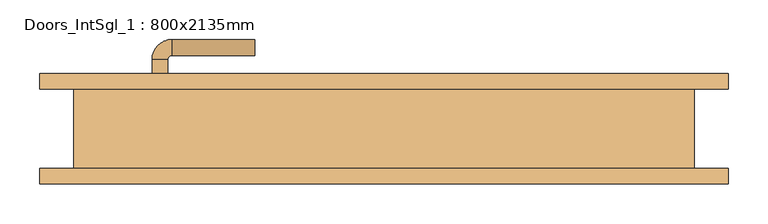
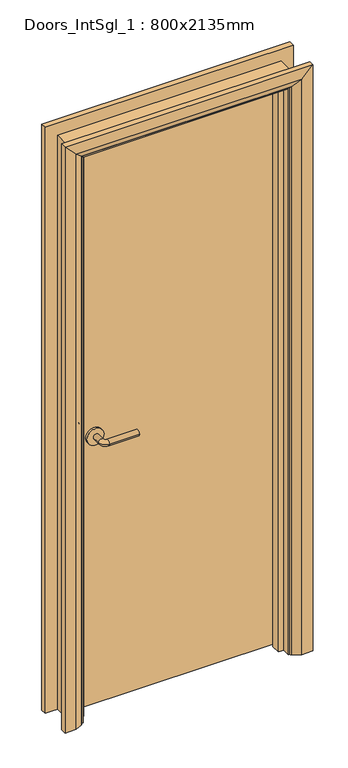
"""IFC4 building model written with IfcOpenShell, lengths in millimetres: door geometry, Doors_IntSgl_1 : 800x2135mm."""

from ifc_helpers import new_model, si_unit, point, frame, frame_2d, origin, place, context, project, spatial, polyline, circle_curve, ellipse_curve, trimmed, segment, composite_curve, outline, extrude, faceted_brep, source, transform, mapped, element, save
from ifc_brep_helpers import plane_surface, cylinder_surface, revolved_surface, advanced_brep


def doors_intsgl_1_800x2135mm_b69db59d(model_context):
    return source(origin(), model_context, "Body", "SolidModel", [
        advanced_brep(
        [(-293.0, 4.0, 1000.0), (-273.0, 4.0, 1000.0), (-273.0, -26.0, 1000.0), (-293.0, -26.0, 1000.0), (-268.0, -31.0, 1000.0), (-268.0, -51.0, 1000.0), (-163.0, -51.0, 1000.0), (-163.0, -31.0, 1000.0)],
        [
            (0, 1, circle_curve(frame((-283.0, 4.0, 1000.0), z_axis=(0.0, 1.0, 0.0), x_axis=(1.0, 0.0, 0.0)), 10.0)),
            (1, 0, circle_curve(frame((-283.0, 4.0, 1000.0), z_axis=(0.0, 1.0, 0.0), x_axis=(1.0, 0.0, 0.0)), 10.0)),
            (1, 2),
            (2, 3, circle_curve(frame((-283.0, -26.0, 1000.0), z_axis=(0.0, 1.0, 0.0), x_axis=(1.0, 0.0, 0.0)), 10.0)),
            (3, 0),
            (3, 2, circle_curve(frame((-283.0, -26.0, 1000.0), z_axis=(0.0, 1.0, 0.0), x_axis=(1.0, 0.0, 0.0)), 10.0)),
            (4, 5, circle_curve(frame((-268.0, -41.0, 1000.0), z_axis=(-1.0, 0.0, 0.0), x_axis=(0.0, 1.0, 0.0)), 10.0)),
            (5, 3, circle_curve(frame((-268.0, -26.0, 1000.0), z_axis=(0.0, 0.0, -1.0), x_axis=(-1.0, 0.0, 0.0)), 25.0)),
            (2, 4, circle_curve(frame((-268.0, -26.0, 1000.0), z_axis=(0.0, 0.0, 1.0), x_axis=(-1.0, 0.0, 0.0)), 5.0)),
            (5, 4, circle_curve(frame((-268.0, -41.0, 1000.0), z_axis=(-1.0, 0.0, 0.0), x_axis=(0.0, 1.0, 0.0)), 10.0)),
            (6, 7, circle_curve(frame((-163.0, -41.0, 1000.0), z_axis=(1.0, 0.0, 0.0), x_axis=(0.0, 1.0, 0.0)), 10.0)),
            (7, 6, circle_curve(frame((-163.0, -41.0, 1000.0), z_axis=(1.0, 0.0, 0.0), x_axis=(0.0, 1.0, 0.0)), 10.0)),
            (4, 7),
            (6, 5),
        ],
        [
            plane_surface(frame((-283.0, 4.0, 1000.0), z_axis=(0.0, 1.0, 0.0), x_axis=(0.0, 0.0, 1.0))),
            cylinder_surface(frame((-283.0, 4.0, 1000.0), z_axis=(0.0, 1.0, 0.0), x_axis=(1.0, 0.0, 0.0)), 10.0),
            revolved_surface(trimmed(ellipse_curve(frame((-283.0, -26.0, 1000.0), z_axis=(0.0, -1.0, 0.0), x_axis=(1.0, 0.0, 0.0)), 10.0, 10.0), [point((-293.0, -26.0, 1000.0))], [point((-273.0, -26.0, 1000.0))], True, "CARTESIAN"), (-268.0, -26.0, 1000.0), (0.0, 0.0, -1.0)),
            revolved_surface(trimmed(ellipse_curve(frame((-283.0, -26.0, 1000.0), z_axis=(0.0, -1.0, 0.0), x_axis=(1.0, 0.0, 0.0)), 10.0, 10.0), [point((-273.0, -26.0, 1000.0))], [point((-293.0, -26.0, 1000.0))], True, "CARTESIAN"), (-268.0, -26.0, 1000.0), (0.0, 0.0, -1.0)),
            plane_surface(frame((-163.0, -41.0, 1000.0), z_axis=(1.0, 0.0, 0.0), x_axis=(0.0, 0.0, 1.0))),
            cylinder_surface(frame((-268.0, -41.0, 1000.0), z_axis=(-1.0, 0.0, 0.0), x_axis=(0.0, 1.0, 0.0)), 10.0),
        ],
        [
            (0, [[1, 2]]),
            (1, [[3, 4, 5, -2]]),
            (1, [[-5, 6, -3, -1]]),
            (2, [[7, 8, -4, 9]]),
            (3, [[10, -9, -6, -8]]),
            (4, [[11, 12]]),
            (5, [[13, -11, 14, -7]]),
            (5, [[-14, -12, -13, -10]]),
        ],
    ),
        extrude(outline(composite_curve([segment(trimmed(circle_curve(frame_2d((1000.0, -285.5)), 30.0), [point((1000.0, -315.5))], [point((1000.0, -255.5))], False, "CARTESIAN"), True, "CONTINUOUS"), segment(trimmed(circle_curve(frame_2d((1000.0, -285.5)), 30.0), [point((1000.0, -255.5))], [point((1000.0, -315.5))], False, "CARTESIAN"), True, "CONTINUOUS")], self_intersect=False)), frame((0.0, 4.0, 0.0), z_axis=(0.0, 1.0, 0.0), x_axis=(0.0, 0.0, 1.0)), (0.0, 0.0, 1.0), 8.0),
        advanced_brep(
        [(-293.0, 58.0, 1000.0), (-273.0, 58.0, 1000.0), (-293.0, 88.0, 1000.0), (-273.0, 88.0, 1000.0), (-268.0, 93.0, 1000.0), (-268.0, 113.0, 1000.0), (-163.0, 113.0, 1000.0), (-163.0, 93.0, 1000.0)],
        [
            (0, 1, circle_curve(frame((-283.0, 58.0, 1000.0), z_axis=(0.0, -1.0, 0.0), x_axis=(1.0, 0.0, 0.0)), 10.0)),
            (1, 0, circle_curve(frame((-283.0, 58.0, 1000.0), z_axis=(0.0, -1.0, 0.0), x_axis=(1.0, 0.0, 0.0)), 10.0)),
            (0, 2),
            (2, 3, circle_curve(frame((-283.0, 88.0, 1000.0), z_axis=(0.0, -1.0, 0.0), x_axis=(1.0, 0.0, 0.0)), 10.0)),
            (3, 1),
            (3, 2, circle_curve(frame((-283.0, 88.0, 1000.0), z_axis=(0.0, -1.0, 0.0), x_axis=(1.0, 0.0, 0.0)), 10.0)),
            (4, 3, circle_curve(frame((-268.0, 88.0, 1000.0), z_axis=(0.0, 0.0, 1.0), x_axis=(-1.0, 0.0, 0.0)), 5.0)),
            (2, 5, circle_curve(frame((-268.0, 88.0, 1000.0), z_axis=(0.0, 0.0, -1.0), x_axis=(-1.0, 0.0, 0.0)), 25.0)),
            (5, 4, circle_curve(frame((-268.0, 103.0, 1000.0), z_axis=(-1.0, 0.0, 0.0), x_axis=(0.0, -1.0, 0.0)), 10.0)),
            (4, 5, circle_curve(frame((-268.0, 103.0, 1000.0), z_axis=(-1.0, 0.0, 0.0), x_axis=(0.0, -1.0, 0.0)), 10.0)),
            (6, 7, circle_curve(frame((-163.0, 103.0, 1000.0), z_axis=(1.0, 0.0, 0.0), x_axis=(0.0, -1.0, 0.0)), 10.0)),
            (7, 6, circle_curve(frame((-163.0, 103.0, 1000.0), z_axis=(1.0, 0.0, 0.0), x_axis=(0.0, -1.0, 0.0)), 10.0)),
            (5, 6),
            (7, 4),
        ],
        [
            plane_surface(frame((-283.0, 58.0, 1000.0), z_axis=(0.0, -1.0, 0.0), x_axis=(0.0, 0.0, 1.0))),
            cylinder_surface(frame((-283.0, 58.0, 1000.0), z_axis=(0.0, -1.0, 0.0), x_axis=(1.0, 0.0, 0.0)), 10.0),
            revolved_surface(trimmed(ellipse_curve(frame((-283.0, 88.0, 1000.0), z_axis=(0.0, -1.0, 0.0), x_axis=(1.0, 0.0, 0.0)), 10.0, 10.0), [point((-293.0, 88.0, 1000.0))], [point((-273.0, 88.0, 1000.0))], True, "CARTESIAN"), (-268.0, 88.0, 1000.0), (0.0, 0.0, -1.0)),
            revolved_surface(trimmed(ellipse_curve(frame((-283.0, 88.0, 1000.0), z_axis=(0.0, -1.0, 0.0), x_axis=(1.0, 0.0, 0.0)), 10.0, 10.0), [point((-273.0, 88.0, 1000.0))], [point((-293.0, 88.0, 1000.0))], True, "CARTESIAN"), (-268.0, 88.0, 1000.0), (0.0, 0.0, -1.0)),
            plane_surface(frame((-163.0, 103.0, 1000.0), z_axis=(1.0, 0.0, 0.0), x_axis=(0.0, 0.0, 1.0))),
            cylinder_surface(frame((-268.0, 103.0, 1000.0), z_axis=(-1.0, 0.0, 0.0), x_axis=(0.0, -1.0, 0.0)), 10.0),
        ],
        [
            (0, [[1, 2]]),
            (1, [[-1, 3, 4, 5]]),
            (1, [[-2, -5, 6, -3]]),
            (2, [[7, -4, 8, 9]]),
            (3, [[-8, -6, -7, 10]]),
            (4, [[11, 12]]),
            (5, [[-9, 13, -12, 14]]),
            (5, [[-10, -14, -11, -13]]),
        ],
    ),
        extrude(outline(composite_curve([segment(trimmed(circle_curve(frame_2d((1000.0, -285.5)), 30.0), [point((1000.0, -315.5))], [point((1000.0, -255.5))], False, "CARTESIAN"), True, "CONTINUOUS"), segment(trimmed(circle_curve(frame_2d((1000.0, -285.5)), 30.0), [point((1000.0, -255.5))], [point((1000.0, -315.5))], False, "CARTESIAN"), True, "CONTINUOUS")], self_intersect=False)), frame((0.0, 50.0, 0.0), z_axis=(0.0, 1.0, 0.0), x_axis=(0.0, 0.0, 1.0)), (0.0, 0.0, 1.0), 8.0),
        extrude(outline(polyline([(358.0, 12.0), (-358.0, 12.0), (-358.0, 50.0), (358.0, 50.0), (358.0, 12.0)])), frame((0.0, 0.0, 8.0), z_axis=(0.0, 0.0, 1.0), x_axis=(1.0, 0.0, 0.0)), (0.0, 0.0, 1.0), 2085.0),
        advanced_brep(
        [(435.0, 70.0, 0.0), (435.0, 50.0, 0.0), (365.0, 50.0, 0.0), (369.0, 56.0, 0.0), (395.0, 70.0, 0.0), (435.0, 70.0, 2170.0), (435.0, 50.0, 2170.0), (-435.0, 50.0, 2170.0), (-435.0, 50.0, 0.0), (-365.0, 50.0, 0.0), (-365.0, 50.0, 2100.0), (365.0, 50.0, 2100.0), (369.0, 56.0, 2104.0), (395.0, 70.0, 2130.0), (-395.0, 70.0, 2130.0), (-395.0, 70.0, 0.0), (-435.0, 70.0, 0.0), (-435.0, 70.0, 2170.0), (-369.0, 56.0, 0.0), (-369.0, 56.0, 2104.0)],
        [
            (0, 1),
            (1, 2),
            (2, 3, circle_curve(frame((373.0, 49.0, 0.0), z_axis=(0.0, 0.0, -1.0), x_axis=(1.0, 0.0, 0.0)), 8.0622577)),
            (3, 4),
            (4, 0),
            (0, 5),
            (5, 6),
            (6, 1),
            (6, 7),
            (7, 8),
            (8, 9),
            (9, 10),
            (10, 11),
            (11, 2),
            (11, 12, ellipse_curve(frame((373.0, 49.0, 2108.0), z_axis=(0.7071067811865475, 0.0, -0.7071067811865475), x_axis=(-0.7071067811865474, 0.0, -0.7071067811865476)), 11.4017543, 8.0622577)),
            (12, 3),
            (12, 13),
            (13, 4),
            (13, 14),
            (14, 15),
            (15, 16),
            (16, 17),
            (17, 5),
            (7, 17),
            (16, 8),
            (15, 18),
            (18, 9, circle_curve(frame((-373.0, 49.0, 0.0), z_axis=(0.0, 0.0, -1.0), x_axis=(-1.0, 0.0, 0.0)), 8.0622577)),
            (19, 10, ellipse_curve(frame((-373.0, 49.0, 2108.0), z_axis=(-0.7071067811865475, 0.0, -0.7071067811865475), x_axis=(-0.7071067811865474, 0.0, 0.7071067811865476)), 11.4017543, 8.0622577)),
            (18, 19),
            (14, 19),
            (19, 12),
        ],
        [
            plane_surface(frame((365.0, 50.0, 0.0), z_axis=(0.0, 0.0, -1.0), x_axis=(0.0, -1.0, 0.0))),
            plane_surface(frame((435.0, 70.0, 0.0), z_axis=(1.0, 0.0, 0.0), x_axis=(0.0, 0.0, 1.0))),
            plane_surface(frame((435.0, 50.0, 0.0), z_axis=(0.0, -1.0, 0.0), x_axis=(0.0, 0.0, 1.0))),
            cylinder_surface(frame((373.0, 49.0, 0.0), z_axis=(0.0, 0.0, -1.0), x_axis=(1.0, 0.0, 0.0)), 8.0622577),
            plane_surface(frame((369.0, 56.0, 0.0), z_axis=(-0.4740998230350126, 0.880471099922178, 0.0), x_axis=(0.0, 0.0, 1.0))),
            plane_surface(frame((395.0, 70.0, 0.0), z_axis=(0.0, 1.0, 0.0), x_axis=(0.0, 0.0, 1.0))),
            plane_surface(frame((-435.0, 70.0, 2170.0), z_axis=(-1.0, 0.0, 0.0), x_axis=(0.0, 0.0, -1.0))),
            plane_surface(frame((-365.0, 50.0, 0.0), z_axis=(0.0, 0.0, -1.0), x_axis=(0.0, -1.0, 0.0))),
            cylinder_surface(frame((-373.0, 49.0, 2100.0), z_axis=(0.0, 0.0, 1.0), x_axis=(-1.0, 0.0, 0.0)), 8.0622577),
            plane_surface(frame((-369.0, 56.0, 2104.0), z_axis=(0.47409982303501824, 0.8804710999221749, 0.0), x_axis=(0.0, 0.0, -1.0))),
            plane_surface(frame((435.0, 70.0, 2170.0), z_axis=(0.0, 0.0, 1.0), x_axis=(-1.0, 0.0, 0.0))),
            cylinder_surface(frame((365.0, 49.0, 2108.0), z_axis=(1.0, 0.0, 0.0), x_axis=(0.0, 0.0, 1.0)), 8.0622577),
            plane_surface(frame((369.0, 56.0, 2104.0), z_axis=(0.0, 0.8804710999221764, -0.4740998230350154), x_axis=(-1.0, 0.0, 0.0))),
        ],
        [
            (0, [[1, 2, 3, 4, 5]]),
            (1, [[-1, 6, 7, 8]]),
            (2, [[-2, -8, 9, 10, 11, 12, 13, 14]]),
            (3, [[-3, -14, 15, 16]]),
            (4, [[-4, -16, 17, 18]]),
            (5, [[-5, -18, 19, 20, 21, 22, 23, -6]]),
            (6, [[24, -22, 25, -10]]),
            (7, [[-21, 26, 27, -11, -25]]),
            (8, [[28, -12, -27, 29]]),
            (9, [[30, -29, -26, -20]]),
            (10, [[-7, -23, -24, -9]]),
            (11, [[-15, -13, -28, 31]]),
            (12, [[-17, -31, -30, -19]]),
        ],
    ),
        extrude(outline(polyline([(0.0, -360.0), (0.0, -341.0), (2076.0, -341.0), (2076.0, 341.0), (0.0, 341.0), (0.0, 360.0), (2095.0, 360.0), (2095.0, -360.0), (0.0, -360.0)])), frame((0.0, -22.0, 0.0), z_axis=(0.0, 1.0, 0.0), x_axis=(0.0, 0.0, 1.0)), (0.0, 0.0, 1.0), 32.0),
        advanced_brep(
        [(-435.0, -70.0, 0.0), (-435.0, -50.0, 0.0), (-365.0, -50.0, 0.0), (-369.0, -56.0, 0.0), (-395.0, -70.0, 0.0), (-435.0, -70.0, 2170.0), (-435.0, -50.0, 2170.0), (-365.0, -50.0, 2100.0), (-369.0, -56.0, 2104.0), (-395.0, -70.0, 2130.0), (435.0, -70.0, 0.0), (395.0, -70.0, 0.0), (369.0, -56.0, 0.0), (365.0, -50.0, 0.0), (435.0, -50.0, 0.0), (435.0, -70.0, 2170.0), (395.0, -70.0, 2130.0), (369.0, -56.0, 2104.0), (365.0, -50.0, 2100.0), (435.0, -50.0, 2170.0)],
        [
            (0, 1),
            (1, 2),
            (2, 3, circle_curve(frame((-373.0, -49.0, 0.0), z_axis=(0.0, 0.0, -1.0), x_axis=(-1.0, 0.0, 0.0)), 8.0622577)),
            (3, 4),
            (4, 0),
            (0, 5),
            (5, 6),
            (6, 1),
            (6, 7),
            (7, 2),
            (7, 8, ellipse_curve(frame((-373.0, -49.0, 2108.0), z_axis=(-0.7071067811865475, 0.0, -0.7071067811865475), x_axis=(0.7071067811865474, 0.0, -0.7071067811865476)), 11.4017543, 8.0622577)),
            (8, 3),
            (8, 9),
            (9, 4),
            (9, 5),
            (10, 11),
            (11, 12),
            (12, 13, circle_curve(frame((373.0, -49.0, 0.0), z_axis=(0.0, 0.0, -1.0), x_axis=(1.0, 0.0, 0.0)), 8.0622577)),
            (13, 14),
            (14, 10),
            (15, 16),
            (16, 11),
            (10, 15),
            (16, 17),
            (17, 12),
            (17, 18, ellipse_curve(frame((373.0, -49.0, 2108.0), z_axis=(0.7071067811865475, 0.0, -0.7071067811865475), x_axis=(0.7071067811865474, 0.0, 0.7071067811865476)), 11.4017543, 8.0622577)),
            (18, 13),
            (18, 19),
            (19, 14),
            (19, 15),
            (5, 15),
            (19, 6),
            (18, 7),
            (17, 8),
            (16, 9),
        ],
        [
            plane_surface(frame((-365.0, -122.8010989, 0.0), z_axis=(0.0, 0.0, -1.0), x_axis=(1.0, 0.0, 0.0))),
            plane_surface(frame((-435.0, -70.0, 0.0), z_axis=(-1.0, 0.0, 0.0), x_axis=(0.0, 0.0, 1.0))),
            plane_surface(frame((-435.0, -50.0, 0.0), z_axis=(0.0, 1.0, 0.0), x_axis=(0.0, 0.0, 1.0))),
            cylinder_surface(frame((-373.0, -49.0, 0.0), z_axis=(0.0, 0.0, -1.0), x_axis=(-1.0, 0.0, 0.0)), 8.0622577),
            plane_surface(frame((-369.0, -56.0, 0.0), z_axis=(0.4740998230350183, -0.8804710999221749, 0.0), x_axis=(0.0, 0.0, 1.0))),
            plane_surface(frame((-395.0, -70.0, 0.0), z_axis=(0.0, -1.0, 0.0), x_axis=(0.0, 0.0, 1.0))),
            plane_surface(frame((365.0, -122.8010989, 0.0), z_axis=(0.0, 0.0, -1.0), x_axis=(-1.0, 0.0, 0.0))),
            plane_surface(frame((395.0, -70.0, 2130.0), z_axis=(0.0, -1.0, 0.0), x_axis=(0.0, 0.0, -1.0))),
            plane_surface(frame((369.0, -56.0, 2104.0), z_axis=(-0.4740998230350183, -0.8804710999221749, 0.0), x_axis=(0.0, 0.0, -1.0))),
            cylinder_surface(frame((373.0, -49.0, 2100.0), z_axis=(0.0, 0.0, 1.0), x_axis=(1.0, 0.0, 0.0)), 8.0622577),
            plane_surface(frame((435.0, -50.0, 2170.0), z_axis=(0.0, 1.0, 0.0), x_axis=(0.0, 0.0, -1.0))),
            plane_surface(frame((435.0, -70.0, 2170.0), z_axis=(1.0, 0.0, 0.0), x_axis=(0.0, 0.0, -1.0))),
            plane_surface(frame((-435.0, -70.0, 2170.0), z_axis=(0.0, 0.0, 1.0), x_axis=(1.0, 0.0, 0.0))),
            plane_surface(frame((-435.0, -50.0, 2170.0), z_axis=(0.0, 1.0, 0.0), x_axis=(1.0, 0.0, 0.0))),
            cylinder_surface(frame((-365.0, -49.0, 2108.0), z_axis=(-1.0, 0.0, 0.0), x_axis=(0.0, 0.0, 1.0)), 8.0622577),
            plane_surface(frame((-369.0, -56.0, 2104.0), z_axis=(0.0, -0.8804710999221749, -0.4740998230350183), x_axis=(1.0, 0.0, 0.0))),
            plane_surface(frame((-395.0, -70.0, 2130.0), z_axis=(0.0, -1.0, 0.0), x_axis=(1.0, 0.0, 0.0))),
        ],
        [
            (0, [[1, 2, 3, 4, 5]]),
            (1, [[-1, 6, 7, 8]]),
            (2, [[-2, -8, 9, 10]]),
            (3, [[-3, -10, 11, 12]]),
            (4, [[-4, -12, 13, 14]]),
            (5, [[-5, -14, 15, -6]]),
            (6, [[16, 17, 18, 19, 20]]),
            (7, [[21, 22, -16, 23]]),
            (8, [[24, 25, -17, -22]]),
            (9, [[26, 27, -18, -25]]),
            (10, [[28, 29, -19, -27]]),
            (11, [[30, -23, -20, -29]]),
            (12, [[-7, 31, -30, 32]]),
            (13, [[-9, -32, -28, 33]]),
            (14, [[-11, -33, -26, 34]]),
            (15, [[-13, -34, -24, 35]]),
            (16, [[-15, -35, -21, -31]]),
        ],
    ),
        faceted_brep([(-360.0, 50.0, 0.0), (-360.0, -50.0, 0.0), (-392.0, -50.0, 0.0), (-392.0, 50.0, 0.0), (-360.0, 50.0, 2095.0), (-360.0, -50.0, 2095.0), (-392.0, -50.0, 2127.0), (-392.0, 50.0, 2127.0), (360.0, 50.0, 0.0), (392.0, 50.0, 0.0), (392.0, -50.0, 0.0), (360.0, -50.0, 0.0), (360.0, 50.0, 2095.0), (392.0, 50.0, 2127.0), (392.0, -50.0, 2127.0), (360.0, -50.0, 2095.0)], [[[0, 1, 2, 3]], [[1, 0, 4, 5]], [[2, 1, 5, 6]], [[3, 2, 6, 7]], [[0, 3, 7, 4]], [[8, 9, 10, 11]], [[12, 13, 9, 8]], [[13, 14, 10, 9]], [[14, 15, 11, 10]], [[15, 12, 8, 11]], [[5, 4, 12, 15]], [[6, 5, 15, 14]], [[7, 6, 14, 13]], [[4, 7, 13, 12]]]),
    ])


if __name__ == "__main__":
    model = new_model("IFC4")
    model_context = context("Model", 3, world=origin())
    ifc_project = project(units=[si_unit("LENGTHUNIT", "METRE", prefix="MILLI")], contexts=[model_context])
    site = spatial("IfcSite", under=ifc_project)
    building = spatial("IfcBuilding", under=site)
    placement = place(None, origin())
    doors_intsgl_1_800x2135mm_shape = doors_intsgl_1_800x2135mm_b69db59d(model_context)
    element("IfcDoor", 1, ObjectType="Doors_IntSgl_1 : 800x2135mm", at=placement, inside=building, context=model_context, shape_type="MappedRepresentation", body=[
        mapped(doors_intsgl_1_800x2135mm_shape, transform((0.0, 0.0, 0.0), x_axis=(1.0, 0.0, 0.0), y_axis=(0.0, 1.0, 0.0), z_axis=(0.0, 0.0, 1.0))),
    ])
    save(model, "model.ifc")
